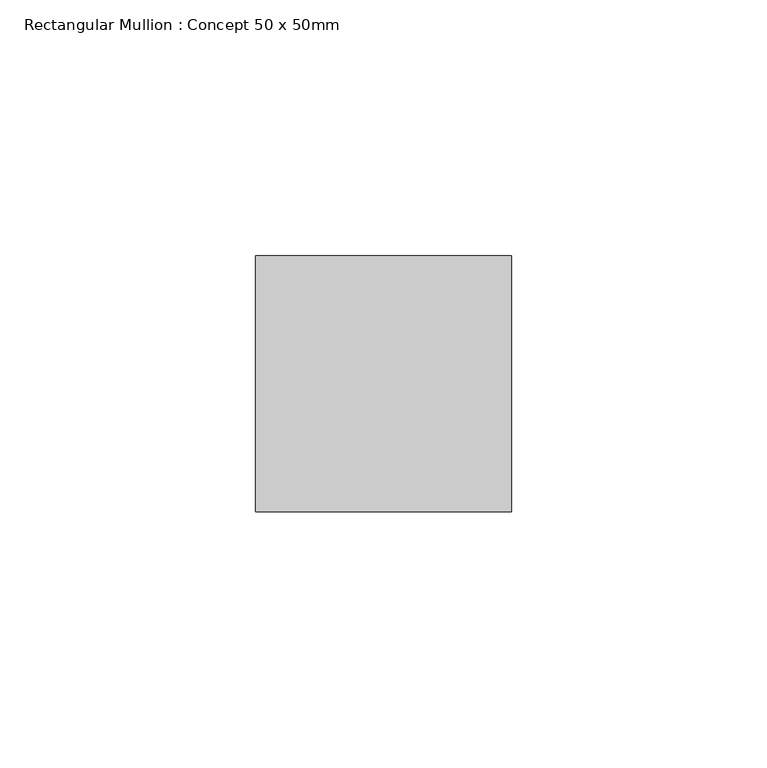
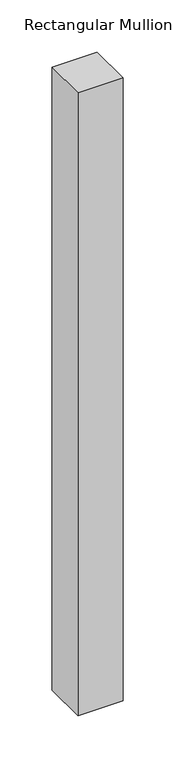
"""IFC4 building model written with IfcOpenShell, lengths in millimetres: member geometry, Rectangular Mullion : Concept 50 x 50mm."""

from ifc_helpers import new_model, si_unit, frame, origin, place, context, project, spatial, polyline, outline, extrude, source, transform, mapped, element, save


def rectangular_mullion_concept_50_x_50mm_a98b2501(model_context):
    return source(origin(), model_context, "Body", "SweptSolid", [
        extrude(outline(polyline([(25.0, 50.0), (25.0, 0.0), (-25.0, 0.0), (-25.0, 50.0), (25.0, 50.0)])), frame((0.0, 0.0, -730.0), z_axis=(0.0, 0.0, 1.0), x_axis=(1.0, 0.0, 0.0)), (0.0, 0.0, 1.0), 730.0),
    ])


if __name__ == "__main__":
    model = new_model("IFC4")
    model_context = context("Model", 3, world=origin())
    ifc_project = project(units=[si_unit("LENGTHUNIT", "METRE", prefix="MILLI")], contexts=[model_context])
    site = spatial("IfcSite", under=ifc_project)
    building = spatial("IfcBuilding", under=site)
    placement = place(None, origin())
    rectangular_mullion_concept_50_x_50mm_shape = rectangular_mullion_concept_50_x_50mm_a98b2501(model_context)
    element("IfcMember", 1, ObjectType="Rectangular Mullion : Concept 50 x 50mm", at=placement, inside=building, context=model_context, shape_type="MappedRepresentation", body=[
        mapped(rectangular_mullion_concept_50_x_50mm_shape, transform((0.0, 0.0, 0.0), x_axis=(1.0, 0.0, 0.0), y_axis=(0.0, 1.0, 0.0), z_axis=(0.0, 0.0, 1.0))),
    ])
    save(model, "model.ifc")
